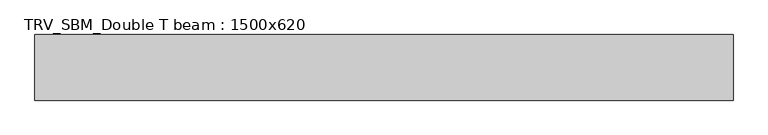
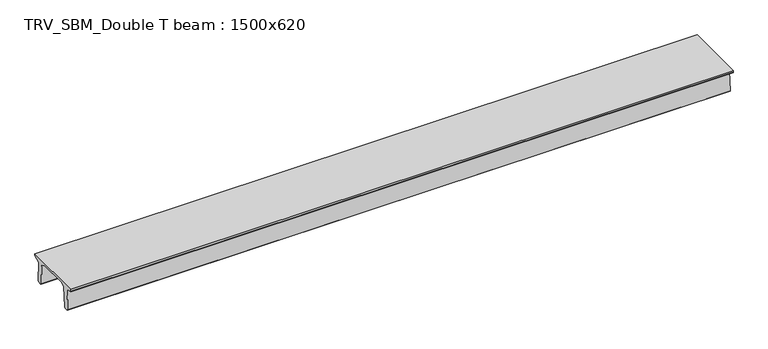
"""IFC4 building model written with IfcOpenShell, lengths in millimetres: beam geometry, TRV_SBM_Double T beam : 1500x620."""

from ifc_helpers import new_model, si_unit, frame, origin, place, context, project, spatial, polyline, outline, extrude, source, transform, mapped, element, save


def trv_sbm_double_t_beam_1500x620_1e2f6572(model_context):
    return source(origin(), model_context, "Body", "SweptSolid", [
        extrude(outline(polyline([(-765.0, 215.0), (-765.0, 260.0), (735.0, 260.0), (735.0, 215.0), (728.2094488, 201.315559), (578.0626443, 140.6523122), (594.8277662, -339.4379646), (574.2657308, -360.0), (484.2657308, -360.0), (464.786332, -340.5206011), (447.8600761, 144.18395), (338.3237744, 210.0), (-367.4555014, 210.0), (-476.5389732, 151.9992892), (-507.0080378, -339.3850967), (-527.622941, -360.0), (-615.122941, -360.0), (-637.1143055, -338.0086356), (-606.1572167, 162.687806), (-761.3068466, 204.260024), (-765.0, 215.0)])), frame((-7978.5, 0.0, 0.0), z_axis=(1.0, 0.0, 0.0), x_axis=(0.0, 1.0, 0.0)), (0.0, 0.0, 1.0), 15957.0),
    ])


if __name__ == "__main__":
    model = new_model("IFC4")
    model_context = context("Model", 3, world=origin())
    ifc_project = project(units=[si_unit("LENGTHUNIT", "METRE", prefix="MILLI")], contexts=[model_context])
    site = spatial("IfcSite", under=ifc_project)
    building = spatial("IfcBuilding", under=site)
    placement = place(None, origin())
    trv_sbm_double_t_beam_1500x620_shape = trv_sbm_double_t_beam_1500x620_1e2f6572(model_context)
    element("IfcBeam", 1, ObjectType="TRV_SBM_Double T beam : 1500x620", at=placement, inside=building, context=model_context, shape_type="MappedRepresentation", body=[
        mapped(trv_sbm_double_t_beam_1500x620_shape, transform((0.0, 0.0, 0.0), x_axis=(1.0, 0.0, 0.0), y_axis=(0.0, 1.0, 0.0), z_axis=(0.0, 0.0, 1.0))),
    ])
    save(model, "model.ifc")
